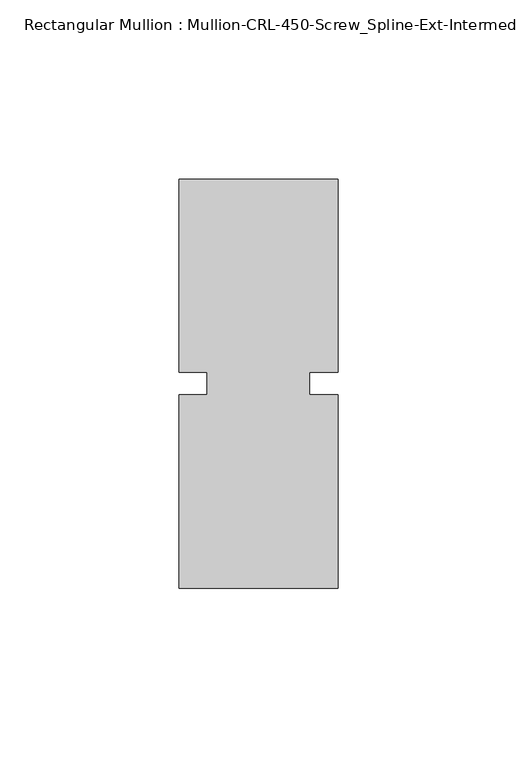
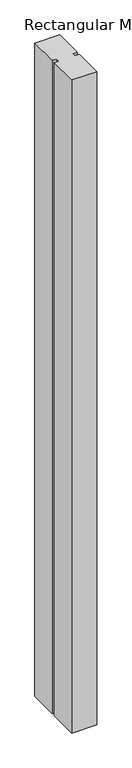
"""IFC4 building model written with IfcOpenShell, lengths in millimetres: member geometry, Rectangular Mullion : Mullion-CRL-450-Screw_Spline-Ext-Intermediate_Horizontal."""

from ifc_helpers import new_model, si_unit, frame, origin, place, context, project, spatial, polyline, outline, extrude, source, transform, mapped, element, save


def rectangular_mullion_mullion_crl_450_screw_spline_ext_2e23b073(model_context):
    return source(origin(), model_context, "Body", "SweptSolid", [
        extrude(outline(polyline([(-22.2249304, -3.175), (-14.2747305, -3.175), (-14.2747305, 3.175), (-22.2249304, 3.175), (-22.2249304, 57.15), (22.2249304, 57.15), (22.2249304, 3.175), (14.2874304, 3.175), (14.2874304, -3.175), (22.2249304, -3.175), (22.2249304, -57.15), (-22.2249304, -57.15), (-22.2249304, -3.175)])), frame((0.0, 0.0, -1234.0166667), z_axis=(0.0, 0.0, 1.0), x_axis=(1.0, 0.0, 0.0)), (0.0, 0.0, 1.0), 1234.0166667),
    ])


if __name__ == "__main__":
    model = new_model("IFC4")
    model_context = context("Model", 3, world=origin())
    ifc_project = project(units=[si_unit("LENGTHUNIT", "METRE", prefix="MILLI")], contexts=[model_context])
    site = spatial("IfcSite", under=ifc_project)
    building = spatial("IfcBuilding", under=site)
    placement = place(None, origin())
    rectangular_mullion_mullion_crl_450_screw_spline_ext_shape = rectangular_mullion_mullion_crl_450_screw_spline_ext_2e23b073(model_context)
    element("IfcMember", 1, ObjectType="Rectangular Mullion : Mullion-CRL-450-Screw_Spline-Ext-Intermediate_Horizontal", at=placement, inside=building, context=model_context, shape_type="MappedRepresentation", body=[
        mapped(rectangular_mullion_mullion_crl_450_screw_spline_ext_shape, transform((0.0, 0.0, 0.0), x_axis=(1.0, 0.0, 0.0), y_axis=(0.0, 1.0, 0.0), z_axis=(0.0, 0.0, 1.0))),
    ])
    save(model, "model.ifc")
